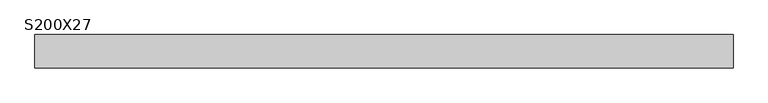
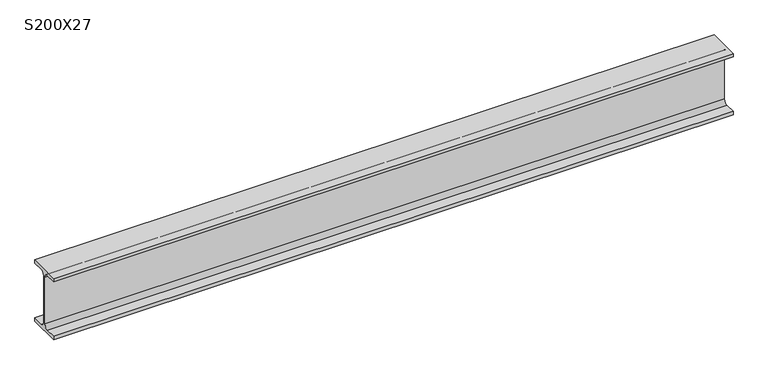
"""IFC4 building model written with IfcOpenShell, lengths in millimetres: beam geometry, S200X27."""

from ifc_helpers import new_model, si_unit, point, frame, frame_2d, origin, place, context, project, spatial, polyline, circle_curve, trimmed, segment, composite_curve, outline, extrude, source, transform, mapped, element, save


def s200x27_005503ed(model_context):
    return source(origin(), model_context, "Body", "SweptSolid", [
        extrude(outline(composite_curve([segment(polyline([(51.0, -90.7), (51.0, -101.5), (-51.0, -101.5), (-51.0, -90.7), (-16.65, -90.7)]), True, "CONTINUOUS"), segment(trimmed(circle_curve(frame_2d((-16.65, -77.5)), 13.2), [point((-16.65, -90.7))], [point((-3.45, -77.5))], True, "CARTESIAN"), True, "CONTINUOUS"), segment(polyline([(-3.45, -77.5), (-3.45, 77.5)]), True, "CONTINUOUS"), segment(trimmed(circle_curve(frame_2d((-16.65, 77.5)), 13.2), [point((-3.45, 77.5))], [point((-16.65, 90.7))], True, "CARTESIAN"), True, "CONTINUOUS"), segment(polyline([(-16.65, 90.7), (-51.0, 90.7), (-51.0, 101.5), (51.0, 101.5), (51.0, 90.7), (16.65, 90.7)]), True, "CONTINUOUS"), segment(trimmed(circle_curve(frame_2d((16.65, 77.5)), 13.2), [point((16.65, 90.7))], [point((3.45, 77.5))], True, "CARTESIAN"), True, "CONTINUOUS"), segment(polyline([(3.45, 77.5), (3.45, -77.5)]), True, "CONTINUOUS"), segment(trimmed(circle_curve(frame_2d((16.65, -77.5)), 13.2), [point((3.45, -77.5))], [point((16.65, -90.7))], True, "CARTESIAN"), True, "CONTINUOUS"), segment(polyline([(16.65, -90.7), (51.0, -90.7)]), True, "CONTINUOUS")], self_intersect=False)), frame((-1067.0, 0.0, 0.0), z_axis=(1.0, 0.0, 0.0), x_axis=(0.0, 1.0, 0.0)), (0.0, 0.0, 1.0), 2134.0),
    ])


if __name__ == "__main__":
    model = new_model("IFC4")
    model_context = context("Model", 3, world=origin())
    ifc_project = project(units=[si_unit("LENGTHUNIT", "METRE", prefix="MILLI")], contexts=[model_context])
    site = spatial("IfcSite", under=ifc_project)
    building = spatial("IfcBuilding", under=site)
    placement = place(None, origin())
    s200x27_shape = s200x27_005503ed(model_context)
    element("IfcBeam", 1, ObjectType="S200X27", at=placement, inside=building, context=model_context, shape_type="MappedRepresentation", body=[
        mapped(s200x27_shape, transform((0.0, 0.0, 0.0), x_axis=(1.0, 0.0, 0.0), y_axis=(0.0, 1.0, 0.0), z_axis=(0.0, 0.0, 1.0))),
    ])
    save(model, "model.ifc")
